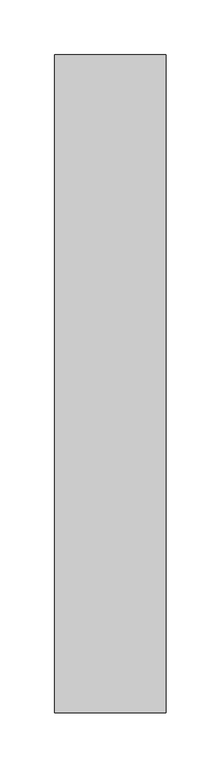
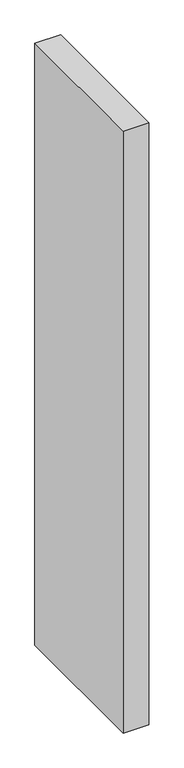
"""IFC4 building model written with IfcOpenShell, lengths in millimetres: proxy geometry."""

import ifcopenshell
import ifcopenshell.guid

model = None  # the IFC model being written
_history = None  # IfcOwnerHistory: only IFC2X3 demands one
_inside = {}  # id of a spatial element -> (the spatial element, [elements in it])
_under = {}  # id of a project, library or spatial element -> (it, [spatial elements below it])
_declared = {}  # id of a project -> (the project, [libraries it declares])
_typed = {}  # id of a type object -> (the type object, [elements of that type])
_made_of = {}  # id of a material, layer set ... -> (it, [elements and type objects made of it])


def new_model(schema):
    """Start an empty IFC model of exactly this schema.

    Asked for "IFC4X3", IfcOpenShell would pick the latest addendum, in which some entities
    have other attributes; the version numbers below select the first issue.
    IFC2X3 requires an IfcOwnerHistory on every rooted entity: one is made here for all.
    """
    global model, _history
    if schema == "IFC4X3":
        model = ifcopenshell.file(schema_version=(4, 3, 0, 0))
    else:
        model = ifcopenshell.file(schema=schema)
    _inside.clear()
    _under.clear()
    _declared.clear()
    _typed.clear()
    _made_of.clear()
    _history = None
    if model.schema == "IFC2X3":
        org = make("IfcOrganization", Name="unknown")
        user = make(
            "IfcPersonAndOrganization",
            ThePerson=make("IfcPerson", FamilyName="unknown"),
            TheOrganization=org,
        )
        app = make(
            "IfcApplication",
            ApplicationDeveloper=org,
            Version="unknown",
            ApplicationFullName="unknown",
            ApplicationIdentifier="unknown",
        )
        _history = make(
            "IfcOwnerHistory",
            OwningUser=user,
            OwningApplication=app,
            ChangeAction="ADDED",
            CreationDate=0,
        )
    return model


def make(cls, **values):
    """One entity of the class cls with the attributes given. An attribute that is None is left unset."""
    return model.create_entity(
        cls, **{name: value for name, value in values.items() if value is not None}
    )


def rooted(cls, **values):
    """An entity with a GlobalId (a new one), such as an element, a storey or a relation."""
    return make(cls, GlobalId=ifcopenshell.guid.new(), OwnerHistory=_history, **values)


def si_unit(unit_type, name, prefix=None):
    """IfcSIUnit, for example si_unit("LENGTHUNIT", "METRE", prefix="MILLI")."""
    return make("IfcSIUnit", UnitType=unit_type, Prefix=prefix, Name=name)


def assignment(units):
    """IfcUnitAssignment: the units of a project."""
    return None if units is None else make("IfcUnitAssignment", Units=units)


def point(xyz):
    """IfcCartesianPoint."""
    return None if xyz is None else make("IfcCartesianPoint", Coordinates=xyz)


def direction(xyz):
    """IfcDirection."""
    return None if xyz is None else make("IfcDirection", DirectionRatios=xyz)


def frame(location, z_axis=None, x_axis=None):
    """IfcAxis2Placement3D, a coordinate frame: its origin and axes. An axis left out is left unset."""
    return make(
        "IfcAxis2Placement3D",
        Location=point(location),
        Axis=direction(z_axis),
        RefDirection=direction(x_axis),
    )


def origin():
    """The frame at (0, 0, 0) with its axes left unset."""
    return frame((0.0, 0.0, 0.0))


def origin_with_axes():
    """The frame at (0, 0, 0) with the z axis (0, 0, 1) and the x axis (1, 0, 0) written out."""
    return frame((0.0, 0.0, 0.0), z_axis=(0.0, 0.0, 1.0), x_axis=(1.0, 0.0, 0.0))


def place(relative_to, where):
    """IfcLocalPlacement: puts the frame where relative to a parent placement (None: the world)."""
    return make(
        "IfcLocalPlacement", PlacementRelTo=relative_to, RelativePlacement=where
    )


def context(
    kind, dimensions, precision=None, world=None, true_north=None, identifier=None
):
    """IfcGeometricRepresentationContext, for example the 3D "Model" context."""
    return make(
        "IfcGeometricRepresentationContext",
        ContextIdentifier=identifier,
        ContextType=kind,
        CoordinateSpaceDimension=dimensions,
        Precision=precision,
        WorldCoordinateSystem=world,
        TrueNorth=true_north,
    )


def project(units=None, contexts=None):
    """IfcProject with its units and contexts."""
    return rooted(
        "IfcProject",
        Name="project",
        RepresentationContexts=contexts,
        UnitsInContext=assignment(units),
    )


def spatial(cls, under=None, at=None, **own):
    """A site, building, storey or space (cls), placed at a placement, below another one or the project."""
    s = rooted(cls, ObjectPlacement=at, **own)
    if under is not None:
        _under.setdefault(under.id(), (under, []))[1].append(s)
    return s


def polyline(points):
    """IfcPolyline through the points."""
    return make("IfcPolyline", Points=[point(p) for p in points])


def outline(outer, holes=None, kind="AREA"):
    """IfcArbitraryClosedProfileDef: a profile drawn as a closed curve; with holes, ...WithVoids."""
    if holes is None:
        return make("IfcArbitraryClosedProfileDef", ProfileType=kind, OuterCurve=outer)
    return make(
        "IfcArbitraryProfileDefWithVoids",
        ProfileType=kind,
        OuterCurve=outer,
        InnerCurves=holes,
    )


def extrude(swept, where, along, depth):
    """IfcExtrudedAreaSolid: the profile swept, set in the frame where, extruded along a direction by depth."""
    return make(
        "IfcExtrudedAreaSolid",
        SweptArea=swept,
        Position=where,
        ExtrudedDirection=direction(along),
        Depth=depth,
    )


def shape(context_of_items, identifier, shape_type, items):
    """IfcShapeRepresentation: the items that make up one representation, for example the "Body"."""
    return make(
        "IfcShapeRepresentation",
        ContextOfItems=context_of_items,
        RepresentationIdentifier=identifier,
        RepresentationType=shape_type,
        Items=items,
    )


def source(mapping_origin, context_of_items, identifier, shape_type, items):
    """IfcRepresentationMap: a shape defined once, which mapped items show again and again."""
    return make(
        "IfcRepresentationMap",
        MappingOrigin=mapping_origin,
        MappedRepresentation=shape(context_of_items, identifier, shape_type, items),
    )


def transform(
    local_origin,
    x_axis=None,
    y_axis=None,
    z_axis=None,
    scale=None,
    scale2=None,
    scale3=None,
    uniform=True,
):
    """IfcCartesianTransformationOperator3D, or its non-uniform kind. x_axis, y_axis, z_axis: its Axis1, 2, 3."""
    if uniform:
        return make(
            "IfcCartesianTransformationOperator3D",
            Axis1=direction(x_axis),
            Axis2=direction(y_axis),
            LocalOrigin=point(local_origin),
            Scale=scale,
            Axis3=direction(z_axis),
        )
    return make(
        "IfcCartesianTransformationOperator3DnonUniform",
        Axis1=direction(x_axis),
        Axis2=direction(y_axis),
        LocalOrigin=point(local_origin),
        Scale=scale,
        Axis3=direction(z_axis),
        Scale2=scale2,
        Scale3=scale3,
    )


def mapped(mapping_source, mapping_target):
    """IfcMappedItem: shows the shape of a source again, moved by a transform."""
    return make(
        "IfcMappedItem", MappingSource=mapping_source, MappingTarget=mapping_target
    )


def made_of(thing, what):
    """Note that an element or type object is made of a material, layer set ...; save() writes the relation."""
    if what is not None:
        _made_of.setdefault(what.id(), (what, []))[1].append(thing)
    return thing


def element(
    cls,
    number,
    at=None,
    inside=None,
    cuts=None,
    type_object=None,
    material=None,
    context=None,
    identifier="Body",
    shape_type=None,
    held_by="IfcProductDefinitionShape",
    body=None,
    shapes=None,
    **own,
):
    """One element of the class cls, such as IfcWall. Its Tag is "e" and its number.

    at: its placement. inside: the storey or other place that contains it. cuts: it is an
    opening in that element (IfcRelVoidsElement). A single representation is given by context,
    identifier, shape_type and body (its items); several are given by shapes. held_by: the class
    of the entity that holds the representations. save() writes the other relations.
    """
    e = rooted(cls, Tag="e%d" % number, ObjectPlacement=at, **own)
    if body is not None:
        shapes = [shape(context, identifier, shape_type, body)]
    if shapes is not None:
        e.Representation = make(held_by, Representations=shapes)
    if inside is not None:
        _inside.setdefault(inside.id(), (inside, []))[1].append(e)
    if cuts is not None:
        rooted(
            "IfcRelVoidsElement", RelatingBuildingElement=cuts, RelatedOpeningElement=e
        )
    if type_object is not None:
        _typed.setdefault(type_object.id(), (type_object, []))[1].append(e)
    return made_of(e, material)


def aggregate(whole, parts):
    """IfcRelAggregates: a whole, such as a stair, and the parts it consists of."""
    return rooted("IfcRelAggregates", RelatingObject=whole, RelatedObjects=parts)


def save(model, path):
    """Write the relations noted so far, then the file.

    IfcRelAggregates (storeys below a building ...), IfcRelContainedInSpatialStructure (elements
    in a storey), IfcRelDefinesByType, IfcRelAssociatesMaterial and IfcRelDeclares: one each for
    every whole, place, type object, material and project.
    """
    for whole, parts in _under.values():
        aggregate(whole, parts)
    for where, things in _inside.values():
        rooted(
            "IfcRelContainedInSpatialStructure",
            RelatedElements=things,
            RelatingStructure=where,
        )
    for kind, things in _typed.values():
        rooted("IfcRelDefinesByType", RelatedObjects=things, RelatingType=kind)
    for what, things in _made_of.values():
        rooted("IfcRelAssociatesMaterial", RelatedObjects=things, RelatingMaterial=what)
    for by, libraries in _declared.values():
        rooted("IfcRelDeclares", RelatingContext=by, RelatedDefinitions=libraries)
    model.write(path)


def generic_models_1486be90(model_context):
    return source(origin(), model_context, "Body", "SweptSolid", [
        extrude(outline(polyline([(101.6, 0.0), (0.0, 0.0), (0.0, 600.0), (101.6, 600.0), (101.6, 0.0)])), origin_with_axes(), (0.0, 0.0, 1.0), 2500.0),
    ])


if __name__ == "__main__":
    model = new_model("IFC4")
    model_context = context("Model", 3, world=origin())
    ifc_project = project(units=[si_unit("LENGTHUNIT", "METRE", prefix="MILLI")], contexts=[model_context])
    site = spatial("IfcSite", under=ifc_project)
    building = spatial("IfcBuilding", under=site)
    placement = place(None, origin())
    generic_models_shape = generic_models_1486be90(model_context)
    element("IfcBuildingElementProxy", 1, Name="Generic Models", at=placement, inside=building, context=model_context, shape_type="MappedRepresentation", body=[
        mapped(generic_models_shape, transform((0.0, 0.0, 0.0), x_axis=(1.0, 0.0, 0.0), y_axis=(0.0, 1.0, 0.0), z_axis=(0.0, 0.0, 1.0))),
    ])
    save(model, "model.ifc")
